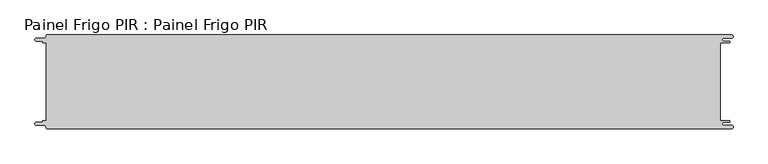
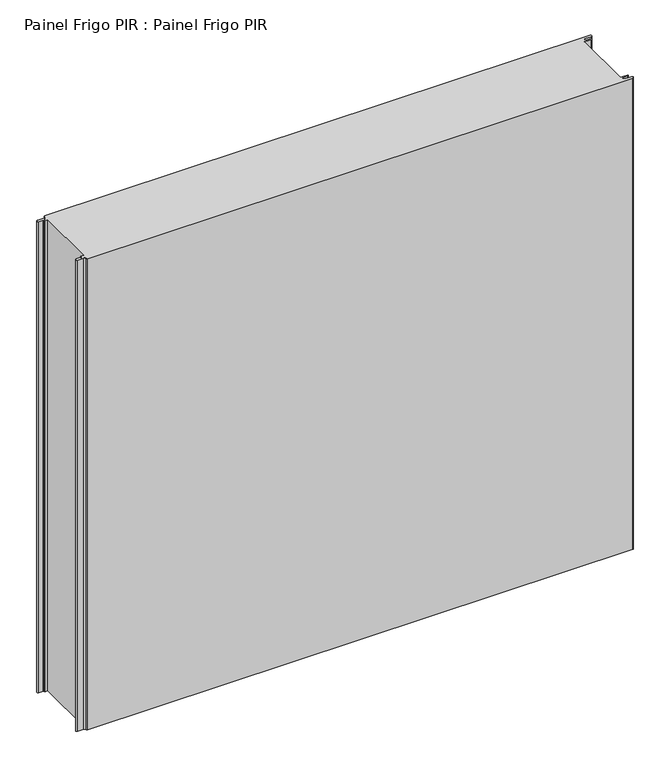
"""IFC4 building model written with IfcOpenShell, lengths in millimetres: proxy geometry, Painel Frigo PIR : Painel Frigo PIR."""

from ifc_helpers import new_model, si_unit, frame, origin, place, context, project, spatial, polyline, circle_curve, source, transform, mapped, element, save
from ifc_brep_helpers import plane_surface, cylinder_surface, revolved_surface, advanced_brep


def painel_frigo_pir_painel_frigo_pir_2b45b965(model_context):
    return source(origin(), model_context, "Body", "AdvancedBrep", [
        advanced_brep(
        [(-554.5874998, -62.3, 1000.0), (-555.1874998, -62.9, 1000.0), (-555.1874998, -63.7085184, 1000.0), (-556.5875001, -65.1085187, 1000.0), (-565.565625, -65.1085187, 1000.0), (-565.565625, -69.5085185, 1000.0), (-553.55, -69.5085185, 1000.0), (-550.0, -73.0585185, 1000.0), (-548.05, -75.0, 1000.0), (546.89375, -75.0, 1000.0), (546.89375, -69.725, 1000.0), (534.45625, -69.725, 1000.0), (534.45625, -64.875, 1000.0), (543.1187503, -64.875, 1000.0), (543.1187503, -62.3, 1000.0), (529.2687503, -62.3, 1000.0), (529.2687503, 62.3, 1000.0), (543.1187503, 62.3, 1000.0), (543.1187503, 64.875, 1000.0), (534.45625, 64.875, 1000.0), (534.45625, 69.725, 1000.0), (546.89375, 69.725, 1000.0), (546.89375, 75.0, 1000.0), (-548.05, 75.0, 1000.0), (-550.0, 73.05, 1000.0), (-553.55, 69.5085185, 1000.0), (-565.565625, 69.5085185, 1000.0), (-565.565625, 65.1085185, 1000.0), (-556.5875003, 65.1085185, 1000.0), (-555.1875003, 63.7085185, 1000.0), (-555.1875003, 62.9, 1000.0), (-554.5874998, 62.2999995, 1000.0), (-549.2999612, 62.2999995, 1000.0), (-549.2999612, -62.3, 1000.0), (-554.5874998, -62.3, 0.0), (-549.2999612, -62.3, 0.0), (-549.2999612, 62.2999995, 0.0), (-554.5874998, 62.2999995, 0.0), (-555.1875003, 62.9, 0.0), (-555.1875003, 63.7085185, 0.0), (-556.5875003, 65.1085185, 0.0), (-565.565625, 65.1085185, 0.0), (-565.565625, 69.5085185, 0.0), (-553.55, 69.5085185, 0.0), (-550.0, 73.0585185, 0.0), (-548.05, 75.0, 0.0), (546.89375, 75.0, 0.0), (546.89375, 69.725, 0.0), (534.45625, 69.725, 0.0), (534.45625, 64.875, 0.0), (543.1187503, 64.875, 0.0), (543.1187503, 62.3, 0.0), (529.2687503, 62.3, 0.0), (529.2687503, -62.3, 0.0), (543.1187503, -62.3, 0.0), (543.1187503, -64.875, 0.0), (534.45625, -64.875, 0.0), (534.45625, -69.725, 0.0), (546.89375, -69.725, 0.0), (546.89375, -75.0, 0.0), (-548.05, -75.0, 0.0), (-550.0, -73.05, 0.0), (-553.55, -69.5085185, 0.0), (-565.565625, -69.5085185, 0.0), (-565.565625, -65.1085187, 0.0), (-556.5875001, -65.1085187, 0.0), (-555.1874998, -63.7085184, 0.0), (-555.1874998, -62.9, 0.0)],
        [
            (0, 1, circle_curve(frame((-554.5874998, -62.9, 1000.0), z_axis=(0.0, 0.0, 1.0), x_axis=(1.0, 0.0, 0.0)), 0.6)),
            (1, 2),
            (2, 3, circle_curve(frame((-556.5875001, -63.7085184, 1000.0), z_axis=(0.0, 0.0, -1.0), x_axis=(1.0, 0.0, 0.0)), 1.4000003)),
            (3, 4),
            (4, 5, circle_curve(frame((-565.565625, -67.3085186, 1000.0), z_axis=(0.0, 0.0, 1.0), x_axis=(1.0, 0.0, 0.0)), 2.1999999)),
            (5, 6),
            (6, 7, circle_curve(frame((-553.55, -73.0585185, 1000.0), z_axis=(0.0, 0.0, -1.0), x_axis=(1.0, 0.0, 0.0)), 3.55)),
            (7, 8, circle_curve(frame((-548.05, -73.05, 1000.0), z_axis=(0.0, 0.0, 1.0), x_axis=(1.0, 0.0, 0.0)), 1.95)),
            (8, 9),
            (9, 10, circle_curve(frame((546.89375, -72.3625, 1000.0), z_axis=(0.0, 0.0, 1.0), x_axis=(1.0, 0.0, 0.0)), 2.6375)),
            (10, 11),
            (11, 12, circle_curve(frame((534.45625, -67.3, 1000.0), z_axis=(0.0, 0.0, -1.0), x_axis=(1.0, 0.0, 0.0)), 2.425)),
            (12, 13),
            (13, 14, circle_curve(frame((543.1187503, -63.5875, 1000.0), z_axis=(0.0, 0.0, 1.0), x_axis=(1.0, 0.0, 0.0)), 1.2875)),
            (14, 15),
            (15, 16),
            (16, 17),
            (17, 18, circle_curve(frame((543.1187503, 63.5875, 1000.0), z_axis=(0.0, 0.0, 1.0), x_axis=(1.0, 0.0, 0.0)), 1.2875)),
            (18, 19),
            (19, 20, circle_curve(frame((534.45625, 67.3, 1000.0), z_axis=(0.0, 0.0, -1.0), x_axis=(1.0, 0.0, 0.0)), 2.425)),
            (20, 21),
            (21, 22, circle_curve(frame((546.89375, 72.3625, 1000.0), z_axis=(0.0, 0.0, 1.0), x_axis=(1.0, 0.0, 0.0)), 2.6375)),
            (22, 23),
            (23, 24, circle_curve(frame((-548.05, 73.05, 1000.0), z_axis=(0.0, 0.0, 1.0), x_axis=(1.0, 0.0, 0.0)), 1.95)),
            (24, 25, circle_curve(frame((-553.55, 73.0585185, 1000.0), z_axis=(0.0, 0.0, -1.0), x_axis=(1.0, 0.0, 0.0)), 3.55)),
            (25, 26),
            (26, 27, circle_curve(frame((-565.565625, 67.3085185, 1000.0), z_axis=(0.0, 0.0, 1.0), x_axis=(1.0, 0.0, 0.0)), 2.2)),
            (27, 28),
            (28, 29, circle_curve(frame((-556.5875003, 63.7085185, 1000.0), z_axis=(0.0, 0.0, -1.0), x_axis=(1.0, 0.0, 0.0)), 1.4)),
            (29, 30),
            (30, 31, circle_curve(frame((-554.5874998, 62.9, 1000.0), z_axis=(0.0, 0.0, 1.0), x_axis=(1.0, 0.0, 0.0)), 0.6000005)),
            (31, 32),
            (32, 33),
            (33, 0),
            (34, 35),
            (35, 36),
            (36, 37),
            (37, 38, circle_curve(frame((-554.5874998, 62.9, 0.0), z_axis=(0.0, 0.0, -1.0), x_axis=(1.0, 0.0, 0.0)), 0.6000005)),
            (38, 39),
            (39, 40, circle_curve(frame((-556.5875003, 63.7085185, 0.0), z_axis=(0.0, 0.0, 1.0), x_axis=(1.0, 0.0, 0.0)), 1.4)),
            (40, 41),
            (41, 42, circle_curve(frame((-565.565625, 67.3085185, 0.0), z_axis=(0.0, 0.0, -1.0), x_axis=(1.0, 0.0, 0.0)), 2.2)),
            (42, 43),
            (43, 44, circle_curve(frame((-553.55, 73.0585185, 0.0), z_axis=(0.0, 0.0, 1.0), x_axis=(1.0, 0.0, 0.0)), 3.55)),
            (44, 45, circle_curve(frame((-548.05, 73.05, 0.0), z_axis=(0.0, 0.0, -1.0), x_axis=(1.0, 0.0, 0.0)), 1.95)),
            (45, 46),
            (46, 47, circle_curve(frame((546.89375, 72.3625, 0.0), z_axis=(0.0, 0.0, -1.0), x_axis=(1.0, 0.0, 0.0)), 2.6375)),
            (47, 48),
            (48, 49, circle_curve(frame((534.45625, 67.3, 0.0), z_axis=(0.0, 0.0, 1.0), x_axis=(1.0, 0.0, 0.0)), 2.425)),
            (49, 50),
            (50, 51, circle_curve(frame((543.1187503, 63.5875, 0.0), z_axis=(0.0, 0.0, -1.0), x_axis=(1.0, 0.0, 0.0)), 1.2875)),
            (51, 52),
            (52, 53),
            (53, 54),
            (54, 55, circle_curve(frame((543.1187503, -63.5875, 0.0), z_axis=(0.0, 0.0, -1.0), x_axis=(1.0, 0.0, 0.0)), 1.2875)),
            (55, 56),
            (56, 57, circle_curve(frame((534.45625, -67.3, 0.0), z_axis=(0.0, 0.0, 1.0), x_axis=(1.0, 0.0, 0.0)), 2.425)),
            (57, 58),
            (58, 59, circle_curve(frame((546.89375, -72.3625, 0.0), z_axis=(0.0, 0.0, -1.0), x_axis=(1.0, 0.0, 0.0)), 2.6375)),
            (59, 60),
            (60, 61, circle_curve(frame((-548.05, -73.05, 0.0), z_axis=(0.0, 0.0, -1.0), x_axis=(1.0, 0.0, 0.0)), 1.95)),
            (61, 62, circle_curve(frame((-553.55, -73.0585185, 0.0), z_axis=(0.0, 0.0, 1.0), x_axis=(1.0, 0.0, 0.0)), 3.55)),
            (62, 63),
            (63, 64, circle_curve(frame((-565.565625, -67.3085186, 0.0), z_axis=(0.0, 0.0, -1.0), x_axis=(1.0, 0.0, 0.0)), 2.1999999)),
            (64, 65),
            (65, 66, circle_curve(frame((-556.5875001, -63.7085184, 0.0), z_axis=(0.0, 0.0, 1.0), x_axis=(1.0, 0.0, 0.0)), 1.4000003)),
            (66, 67),
            (67, 34, circle_curve(frame((-554.5874998, -62.9, 0.0), z_axis=(0.0, 0.0, -1.0), x_axis=(1.0, 0.0, 0.0)), 0.6)),
            (33, 35),
            (34, 0),
            (32, 36),
            (31, 37),
            (30, 38),
            (29, 39),
            (28, 40),
            (27, 41),
            (26, 42),
            (25, 43),
            (24, 44),
            (23, 45),
            (22, 46),
            (15, 53),
            (52, 16),
            (14, 54),
            (13, 55),
            (12, 56),
            (11, 57),
            (10, 58),
            (9, 59),
            (8, 60),
            (7, 61),
            (6, 62),
            (5, 63),
            (4, 64),
            (3, 65),
            (2, 66),
            (1, 67),
            (21, 47),
            (20, 48),
            (19, 49),
            (18, 50),
            (17, 51),
        ],
        [
            plane_surface(frame((-549.2999612, -62.3, 1000.0), z_axis=(0.0, 0.0, 1.0), x_axis=(1.0, 0.0, 0.0))),
            plane_surface(frame((-549.2999612, -62.3, 0.0), z_axis=(0.0, 0.0, -1.0), x_axis=(-1.0, 0.0, 0.0))),
            plane_surface(frame((-554.5874998, -62.3, 1000.0), z_axis=(0.0, 1.0, 0.0), x_axis=(0.0, 0.0, -1.0))),
            plane_surface(frame((-549.2999612, -62.3, 1000.0), z_axis=(-1.0, 0.0, 0.0), x_axis=(0.0, 0.0, -1.0))),
            plane_surface(frame((-549.2999612, 62.2999995, 1000.0), z_axis=(0.0, -1.0, 0.0), x_axis=(0.0, 0.0, -1.0))),
            cylinder_surface(frame((-554.5874998, 62.9, 0.0), z_axis=(0.0, 0.0, 1.0), x_axis=(1.0, 0.0, 0.0)), 0.6000005),
            plane_surface(frame((-555.1875003, 62.9, 1000.0), z_axis=(-1.0, -1.7578608662329888e-12, 0.0), x_axis=(0.0, 0.0, -1.0))),
            revolved_surface(polyline([(-555.1875003, 63.7085185, 0.0), (-555.1875003, 63.7085185, 1000.0)]), (-556.5875003, 63.7085185, 0.0), (0.0, 0.0, -1.0)),
            plane_surface(frame((-556.5875003, 65.1085185, 1000.0), z_axis=(0.0, -1.0, 0.0), x_axis=(0.0, 0.0, -1.0))),
            cylinder_surface(frame((-565.565625, 67.3085185, 0.0), z_axis=(0.0, 0.0, 1.0), x_axis=(1.0, 0.0, 0.0)), 2.2),
            plane_surface(frame((-565.565625, 69.5085185, 1000.0), z_axis=(0.0, 1.0, 0.0), x_axis=(0.0, 0.0, -1.0))),
            revolved_surface(polyline([(-550.0, 73.0585185, 0.0), (-550.0, 73.0585185, 1000.0)]), (-553.55, 73.0585185, 0.0), (0.0, 0.0, -1.0)),
            cylinder_surface(frame((-548.05, 73.05, 0.0), z_axis=(0.0, 0.0, 1.0), x_axis=(1.0, 0.0, 0.0)), 1.95),
            plane_surface(frame((-548.05, 75.0, 1000.0), z_axis=(0.0, 1.0, 0.0), x_axis=(0.0, 0.0, -1.0))),
            plane_surface(frame((529.2687503, 62.3, 1000.0), z_axis=(1.0, 0.0, 0.0), x_axis=(0.0, 0.0, -1.0))),
            plane_surface(frame((529.2687503, -62.3, 1000.0), z_axis=(0.0, 1.0, 0.0), x_axis=(0.0, 0.0, -1.0))),
            cylinder_surface(frame((543.1187503, -63.5875, 0.0), z_axis=(0.0, 0.0, 1.0), x_axis=(1.0, 0.0, 0.0)), 1.2875),
            plane_surface(frame((543.1187503, -64.875, 1000.0), z_axis=(0.0, -1.0, 0.0), x_axis=(0.0, 0.0, -1.0))),
            revolved_surface(polyline([(536.8812499999999, -67.3, 0.0), (536.8812499999999, -67.3, 1000.0)]), (534.45625, -67.3, 0.0), (0.0, 0.0, -1.0)),
            plane_surface(frame((534.45625, -69.725, 1000.0), z_axis=(0.0, 1.0, 0.0), x_axis=(0.0, 0.0, -1.0))),
            cylinder_surface(frame((546.89375, -72.3625, 0.0), z_axis=(0.0, 0.0, 1.0), x_axis=(1.0, 0.0, 0.0)), 2.6375),
            plane_surface(frame((546.89375, -75.0, 1000.0), z_axis=(0.0, -1.0, 0.0), x_axis=(0.0, 0.0, -1.0))),
            cylinder_surface(frame((-548.05, -73.05, 0.0), z_axis=(0.0, 0.0, 1.0), x_axis=(1.0, 0.0, 0.0)), 1.95),
            revolved_surface(polyline([(-550.0, -73.0585185, 0.0), (-550.0, -73.0585185, 1000.0)]), (-553.55, -73.0585185, 0.0), (0.0, 0.0, -1.0)),
            plane_surface(frame((-553.55, -69.5085185, 1000.0), z_axis=(0.0, -1.0, 0.0), x_axis=(0.0, 0.0, -1.0))),
            cylinder_surface(frame((-565.565625, -67.3085186, 0.0), z_axis=(0.0, 0.0, 1.0), x_axis=(1.0, 0.0, 0.0)), 2.1999999),
            plane_surface(frame((-565.565625, -65.1085187, 1000.0), z_axis=(0.0, 1.0, 0.0), x_axis=(0.0, 0.0, -1.0))),
            revolved_surface(polyline([(-555.1874998000001, -63.7085184, 0.0), (-555.1874998000001, -63.7085184, 1000.0)]), (-556.5875001, -63.7085184, 0.0), (0.0, 0.0, -1.0)),
            plane_surface(frame((-555.1874998, -63.7085184, 1000.0), z_axis=(-1.0, 0.0, 0.0), x_axis=(0.0, 0.0, -1.0))),
            cylinder_surface(frame((-554.5874998, -62.9, 0.0), z_axis=(0.0, 0.0, 1.0), x_axis=(1.0, 0.0, 0.0)), 0.6),
            cylinder_surface(frame((546.89375, 72.3625, 0.0), z_axis=(0.0, 0.0, 1.0), x_axis=(1.0, 0.0, 0.0)), 2.6375),
            plane_surface(frame((546.89375, 69.725, 1000.0), z_axis=(0.0, -1.0, 0.0), x_axis=(0.0, 0.0, -1.0))),
            revolved_surface(polyline([(536.8812499999999, 67.3, 0.0), (536.8812499999999, 67.3, 1000.0)]), (534.45625, 67.3, 0.0), (0.0, 0.0, -1.0)),
            plane_surface(frame((534.45625, 64.875, 1000.0), z_axis=(0.0, 1.0, 0.0), x_axis=(0.0, 0.0, -1.0))),
            cylinder_surface(frame((543.1187503, 63.5875, 0.0), z_axis=(0.0, 0.0, 1.0), x_axis=(1.0, 0.0, 0.0)), 1.2875),
            plane_surface(frame((543.1187503, 62.3, 1000.0), z_axis=(0.0, -1.0, 0.0), x_axis=(0.0, 0.0, -1.0))),
        ],
        [
            (0, [[1, 2, 3, 4, 5, 6, 7, 8, 9, 10, 11, 12, 13, 14, 15, 16, 17, 18, 19, 20, 21, 22, 23, 24, 25, 26, 27, 28, 29, 30, 31, 32, 33, 34]]),
            (1, [[35, 36, 37, 38, 39, 40, 41, 42, 43, 44, 45, 46, 47, 48, 49, 50, 51, 52, 53, 54, 55, 56, 57, 58, 59, 60, 61, 62, 63, 64, 65, 66, 67, 68]]),
            (2, [[69, -35, 70, -34]]),
            (3, [[71, -36, -69, -33]]),
            (4, [[72, -37, -71, -32]]),
            (5, [[73, -38, -72, -31]]),
            (6, [[74, -39, -73, -30]]),
            (7, [[75, -40, -74, -29]]),
            (8, [[76, -41, -75, -28]]),
            (9, [[77, -42, -76, -27]]),
            (10, [[78, -43, -77, -26]]),
            (11, [[79, -44, -78, -25]]),
            (12, [[80, -45, -79, -24]]),
            (13, [[81, -46, -80, -23]]),
            (14, [[82, -53, 83, -16]]),
            (15, [[84, -54, -82, -15]]),
            (16, [[85, -55, -84, -14]]),
            (17, [[86, -56, -85, -13]]),
            (18, [[87, -57, -86, -12]]),
            (19, [[88, -58, -87, -11]]),
            (20, [[89, -59, -88, -10]]),
            (21, [[90, -60, -89, -9]]),
            (22, [[91, -61, -90, -8]]),
            (23, [[92, -62, -91, -7]]),
            (24, [[93, -63, -92, -6]]),
            (25, [[94, -64, -93, -5]]),
            (26, [[95, -65, -94, -4]]),
            (27, [[96, -66, -95, -3]]),
            (28, [[97, -67, -96, -2]]),
            (29, [[-70, -68, -97, -1]]),
            (30, [[98, -47, -81, -22]]),
            (31, [[99, -48, -98, -21]]),
            (32, [[100, -49, -99, -20]]),
            (33, [[101, -50, -100, -19]]),
            (34, [[102, -51, -101, -18]]),
            (35, [[-83, -52, -102, -17]]),
        ],
    ),
    ])


if __name__ == "__main__":
    model = new_model("IFC4")
    model_context = context("Model", 3, world=origin())
    ifc_project = project(units=[si_unit("LENGTHUNIT", "METRE", prefix="MILLI")], contexts=[model_context])
    site = spatial("IfcSite", under=ifc_project)
    building = spatial("IfcBuilding", under=site)
    placement = place(None, origin())
    painel_frigo_pir_painel_frigo_pir_shape = painel_frigo_pir_painel_frigo_pir_2b45b965(model_context)
    element("IfcBuildingElementProxy", 1, Name="Painel Frigo PIR : Painel Frigo PIR", ObjectType="Painel Frigo PIR : Painel Frigo PIR", at=placement, inside=building, context=model_context, shape_type="MappedRepresentation", body=[
        mapped(painel_frigo_pir_painel_frigo_pir_shape, transform((0.0, 0.0, 0.0), x_axis=(1.0, 0.0, 0.0), y_axis=(0.0, 1.0, 0.0), z_axis=(0.0, 0.0, 1.0))),
    ])
    save(model, "model.ifc")
